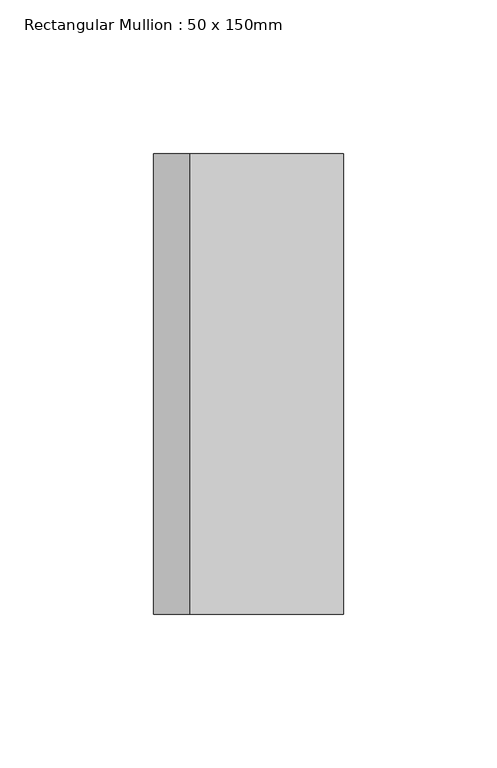
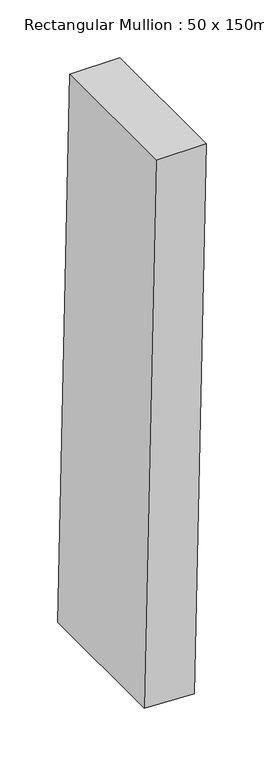
"""IFC4 building model written with IfcOpenShell, lengths in millimetres: member geometry, Rectangular Mullion : 50 x 150mm."""

from ifc_helpers import new_model, si_unit, point, frame, frame_2d, origin, place, context, project, spatial, polyline, circle_curve, trimmed, segment, composite_curve, outline, extrude, source, transform, mapped, element, save


def rectangular_mullion_50_x_150mm_0a89eeec(model_context):
    return source(origin(), model_context, "Body", "SweptSolid", [
        extrude(outline(composite_curve([segment(trimmed(circle_curve(frame_2d((0.0, -13869.9628562)), 13869.9628562), [point((-577.9982556, -12.0485958))], [point((0.0, 0.0))], False, "CARTESIAN"), True, "CONTINUOUS"), segment(polyline([(0.0, 0.0), (0.0, -50.0)]), True, "CONTINUOUS"), segment(trimmed(circle_curve(frame_2d((0.0, -13869.9628562)), 13819.9628562), [point((0.0, -50.0))], [point((-575.9146226, -62.0051617))], True, "CARTESIAN"), True, "CONTINUOUS"), segment(polyline([(-575.9146226, -62.0051617), (-577.9982556, -12.0485958)]), True, "CONTINUOUS")], self_intersect=False)), frame((0.0, -75.0, 0.0), z_axis=(0.0, 1.0, 0.0), x_axis=(0.0, 0.0, 1.0)), (0.0, 0.0, 1.0), 150.0),
    ])


if __name__ == "__main__":
    model = new_model("IFC4")
    model_context = context("Model", 3, world=origin())
    ifc_project = project(units=[si_unit("LENGTHUNIT", "METRE", prefix="MILLI")], contexts=[model_context])
    site = spatial("IfcSite", under=ifc_project)
    building = spatial("IfcBuilding", under=site)
    placement = place(None, origin())
    rectangular_mullion_50_x_150mm_shape = rectangular_mullion_50_x_150mm_0a89eeec(model_context)
    element("IfcMember", 1, ObjectType="Rectangular Mullion : 50 x 150mm", at=placement, inside=building, context=model_context, shape_type="MappedRepresentation", body=[
        mapped(rectangular_mullion_50_x_150mm_shape, transform((0.0, 0.0, 0.0), x_axis=(1.0, 0.0, 0.0), y_axis=(0.0, 1.0, 0.0), z_axis=(0.0, 0.0, 1.0))),
    ])
    save(model, "model.ifc")
